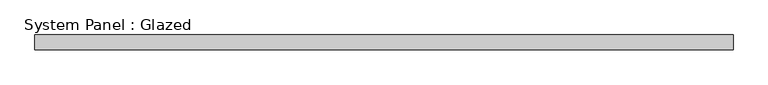
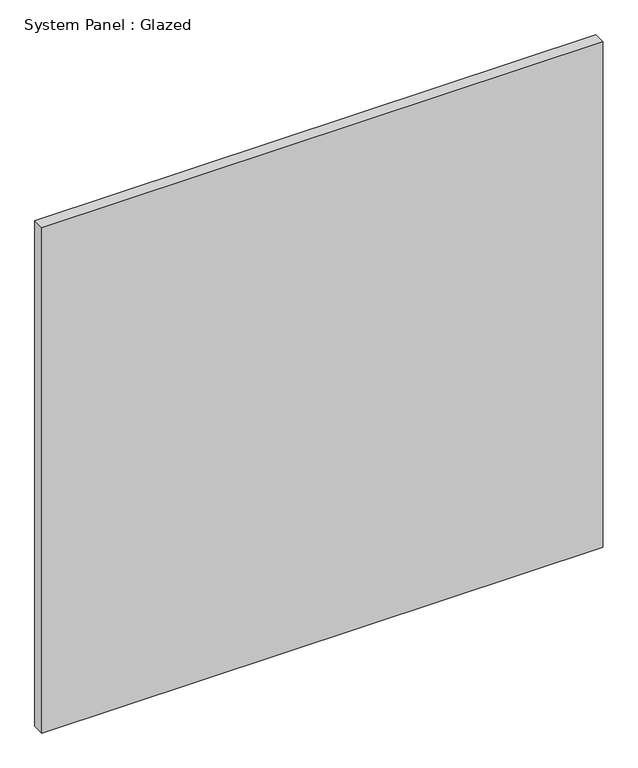
"""IFC4 building model written with IfcOpenShell, lengths in millimetres: plate geometry, System Panel : Glazed."""

from ifc_helpers import new_model, si_unit, origin, origin_with_axes, place, context, project, spatial, polyline, outline, extrude, source, transform, mapped, element, save


def system_panel_glazed_935161db(model_context):
    return source(origin(), model_context, "Body", "SweptSolid", [
        extrude(outline(polyline([(590.3575378, 19.05), (-590.3575378, 19.05), (-590.3575378, 44.45), (590.3575378, 44.45), (590.3575378, 19.05)])), origin_with_axes(), (0.0, 0.0, 1.0), 1123.95),
    ])


if __name__ == "__main__":
    model = new_model("IFC4")
    model_context = context("Model", 3, world=origin())
    ifc_project = project(units=[si_unit("LENGTHUNIT", "METRE", prefix="MILLI")], contexts=[model_context])
    site = spatial("IfcSite", under=ifc_project)
    building = spatial("IfcBuilding", under=site)
    placement = place(None, origin())
    system_panel_glazed_shape = system_panel_glazed_935161db(model_context)
    element("IfcPlate", 1, ObjectType="System Panel : Glazed", at=placement, inside=building, context=model_context, shape_type="MappedRepresentation", body=[
        mapped(system_panel_glazed_shape, transform((0.0, 0.0, 0.0), x_axis=(1.0, 0.0, 0.0), y_axis=(0.0, 1.0, 0.0), z_axis=(0.0, 0.0, 1.0))),
    ])
    save(model, "model.ifc")
